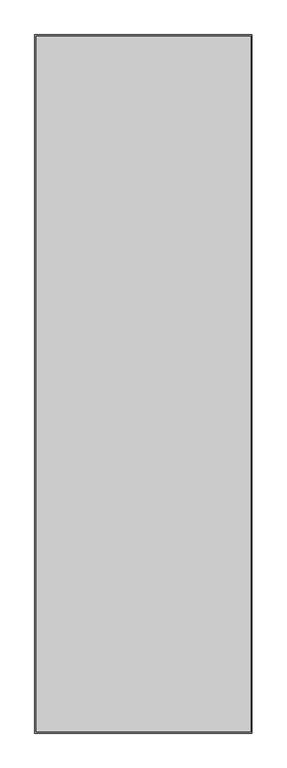
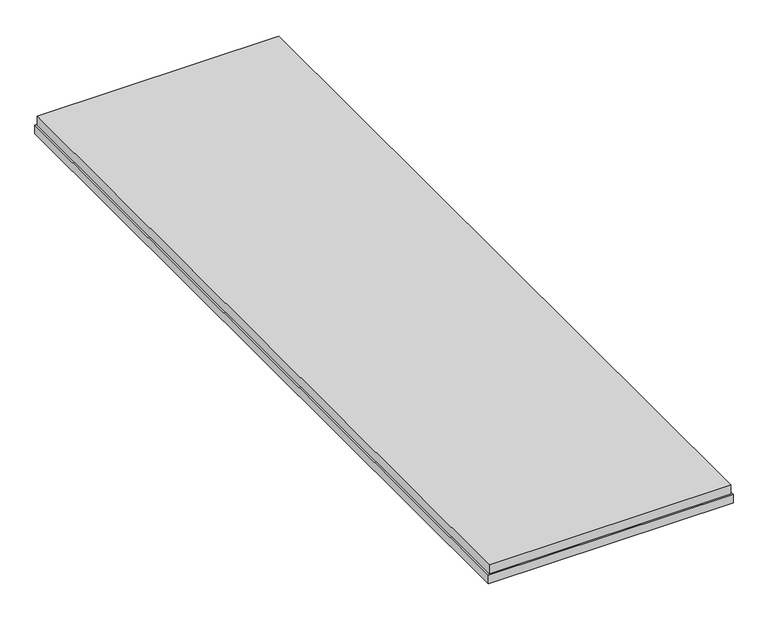
"""IFC4 building model written with IfcOpenShell, lengths in millimetres: proxy geometry."""

from ifc_helpers import new_model, si_unit, frame, origin, place, context, project, spatial, polyline, outline, extrude, source, transform, mapped, element, save


def generic_models_ef859125(model_context):
    return source(origin(), model_context, "Body", "SweptSolid", [
        extrude(outline(polyline([(737.0, 91.0), (63.0, 91.0), (63.0, 2272.4), (737.0, 2272.4), (737.0, 91.0)])), frame((0.0, 0.0, -43.0), z_axis=(0.0, 0.0, 1.0), x_axis=(1.0, 0.0, 0.0)), (0.0, 0.0, 1.0), 27.0),
        extrude(outline(polyline([(59.0, 87.0), (59.0, 2276.4), (741.0, 2276.4), (741.0, 87.0), (59.0, 87.0)]), holes=[polyline([(723.0, 105.0), (723.0, 2258.4), (77.0, 2258.4), (77.0, 105.0), (723.0, 105.0)])]), frame((0.0, 0.0, -68.0), z_axis=(0.0, 0.0, 1.0), x_axis=(1.0, 0.0, 0.0)), (0.0, 0.0, 1.0), 25.0),
    ])


if __name__ == "__main__":
    model = new_model("IFC4")
    model_context = context("Model", 3, world=origin())
    ifc_project = project(units=[si_unit("LENGTHUNIT", "METRE", prefix="MILLI")], contexts=[model_context])
    site = spatial("IfcSite", under=ifc_project)
    building = spatial("IfcBuilding", under=site)
    placement = place(None, origin())
    generic_models_shape = generic_models_ef859125(model_context)
    element("IfcBuildingElementProxy", 1, Name="Generic Models", at=placement, inside=building, context=model_context, shape_type="MappedRepresentation", body=[
        mapped(generic_models_shape, transform((0.0, 0.0, 0.0), x_axis=(1.0, 0.0, 0.0), y_axis=(0.0, 1.0, 0.0), z_axis=(0.0, 0.0, 1.0))),
    ])
    save(model, "model.ifc")
